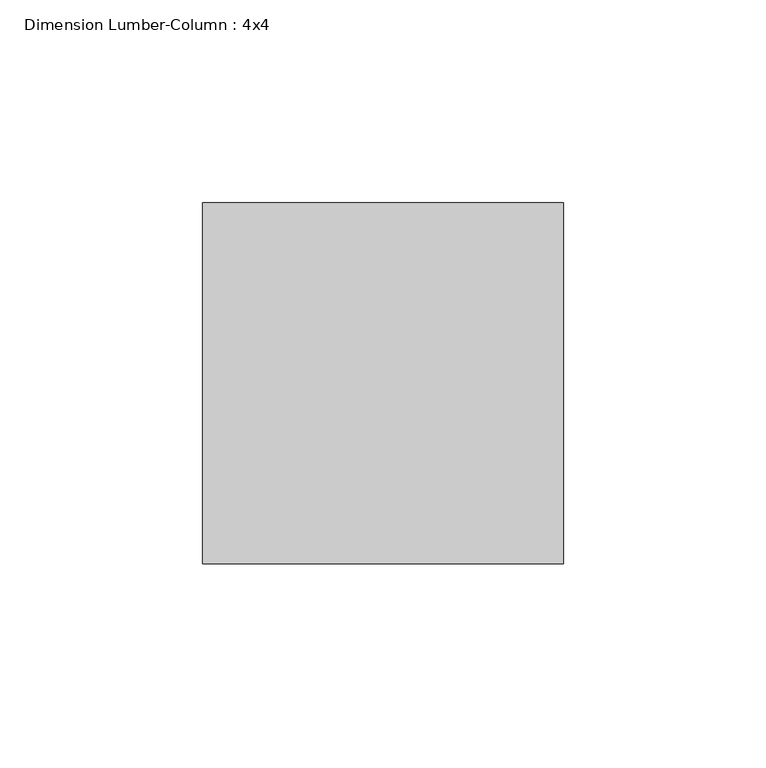
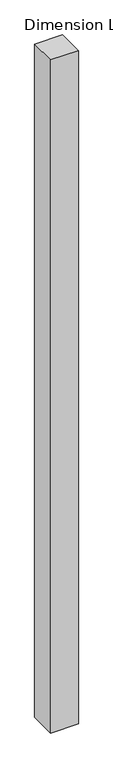
"""IFC4 building model written with IfcOpenShell, lengths in millimetres: column geometry, Dimension Lumber-Column : 4x4."""

import ifcopenshell
import ifcopenshell.guid

model = None  # the IFC model being written
_history = None  # IfcOwnerHistory: only IFC2X3 demands one
_inside = {}  # id of a spatial element -> (the spatial element, [elements in it])
_under = {}  # id of a project, library or spatial element -> (it, [spatial elements below it])
_declared = {}  # id of a project -> (the project, [libraries it declares])
_typed = {}  # id of a type object -> (the type object, [elements of that type])
_made_of = {}  # id of a material, layer set ... -> (it, [elements and type objects made of it])


def new_model(schema):
    """Start an empty IFC model of exactly this schema.

    Asked for "IFC4X3", IfcOpenShell would pick the latest addendum, in which some entities
    have other attributes; the version numbers below select the first issue.
    IFC2X3 requires an IfcOwnerHistory on every rooted entity: one is made here for all.
    """
    global model, _history
    if schema == "IFC4X3":
        model = ifcopenshell.file(schema_version=(4, 3, 0, 0))
    else:
        model = ifcopenshell.file(schema=schema)
    _inside.clear()
    _under.clear()
    _declared.clear()
    _typed.clear()
    _made_of.clear()
    _history = None
    if model.schema == "IFC2X3":
        org = make("IfcOrganization", Name="unknown")
        user = make(
            "IfcPersonAndOrganization",
            ThePerson=make("IfcPerson", FamilyName="unknown"),
            TheOrganization=org,
        )
        app = make(
            "IfcApplication",
            ApplicationDeveloper=org,
            Version="unknown",
            ApplicationFullName="unknown",
            ApplicationIdentifier="unknown",
        )
        _history = make(
            "IfcOwnerHistory",
            OwningUser=user,
            OwningApplication=app,
            ChangeAction="ADDED",
            CreationDate=0,
        )
    return model


def make(cls, **values):
    """One entity of the class cls with the attributes given. An attribute that is None is left unset."""
    return model.create_entity(
        cls, **{name: value for name, value in values.items() if value is not None}
    )


def rooted(cls, **values):
    """An entity with a GlobalId (a new one), such as an element, a storey or a relation."""
    return make(cls, GlobalId=ifcopenshell.guid.new(), OwnerHistory=_history, **values)


def si_unit(unit_type, name, prefix=None):
    """IfcSIUnit, for example si_unit("LENGTHUNIT", "METRE", prefix="MILLI")."""
    return make("IfcSIUnit", UnitType=unit_type, Prefix=prefix, Name=name)


def assignment(units):
    """IfcUnitAssignment: the units of a project."""
    return None if units is None else make("IfcUnitAssignment", Units=units)


def point(xyz):
    """IfcCartesianPoint."""
    return None if xyz is None else make("IfcCartesianPoint", Coordinates=xyz)


def direction(xyz):
    """IfcDirection."""
    return None if xyz is None else make("IfcDirection", DirectionRatios=xyz)


def frame(location, z_axis=None, x_axis=None):
    """IfcAxis2Placement3D, a coordinate frame: its origin and axes. An axis left out is left unset."""
    return make(
        "IfcAxis2Placement3D",
        Location=point(location),
        Axis=direction(z_axis),
        RefDirection=direction(x_axis),
    )


def origin():
    """The frame at (0, 0, 0) with its axes left unset."""
    return frame((0.0, 0.0, 0.0))


def origin_with_axes():
    """The frame at (0, 0, 0) with the z axis (0, 0, 1) and the x axis (1, 0, 0) written out."""
    return frame((0.0, 0.0, 0.0), z_axis=(0.0, 0.0, 1.0), x_axis=(1.0, 0.0, 0.0))


def place(relative_to, where):
    """IfcLocalPlacement: puts the frame where relative to a parent placement (None: the world)."""
    return make(
        "IfcLocalPlacement", PlacementRelTo=relative_to, RelativePlacement=where
    )


def context(
    kind, dimensions, precision=None, world=None, true_north=None, identifier=None
):
    """IfcGeometricRepresentationContext, for example the 3D "Model" context."""
    return make(
        "IfcGeometricRepresentationContext",
        ContextIdentifier=identifier,
        ContextType=kind,
        CoordinateSpaceDimension=dimensions,
        Precision=precision,
        WorldCoordinateSystem=world,
        TrueNorth=true_north,
    )


def project(units=None, contexts=None):
    """IfcProject with its units and contexts."""
    return rooted(
        "IfcProject",
        Name="project",
        RepresentationContexts=contexts,
        UnitsInContext=assignment(units),
    )


def spatial(cls, under=None, at=None, **own):
    """A site, building, storey or space (cls), placed at a placement, below another one or the project."""
    s = rooted(cls, ObjectPlacement=at, **own)
    if under is not None:
        _under.setdefault(under.id(), (under, []))[1].append(s)
    return s


def polyline(points):
    """IfcPolyline through the points."""
    return make("IfcPolyline", Points=[point(p) for p in points])


def outline(outer, holes=None, kind="AREA"):
    """IfcArbitraryClosedProfileDef: a profile drawn as a closed curve; with holes, ...WithVoids."""
    if holes is None:
        return make("IfcArbitraryClosedProfileDef", ProfileType=kind, OuterCurve=outer)
    return make(
        "IfcArbitraryProfileDefWithVoids",
        ProfileType=kind,
        OuterCurve=outer,
        InnerCurves=holes,
    )


def extrude(swept, where, along, depth):
    """IfcExtrudedAreaSolid: the profile swept, set in the frame where, extruded along a direction by depth."""
    return make(
        "IfcExtrudedAreaSolid",
        SweptArea=swept,
        Position=where,
        ExtrudedDirection=direction(along),
        Depth=depth,
    )


def shape(context_of_items, identifier, shape_type, items):
    """IfcShapeRepresentation: the items that make up one representation, for example the "Body"."""
    return make(
        "IfcShapeRepresentation",
        ContextOfItems=context_of_items,
        RepresentationIdentifier=identifier,
        RepresentationType=shape_type,
        Items=items,
    )


def source(mapping_origin, context_of_items, identifier, shape_type, items):
    """IfcRepresentationMap: a shape defined once, which mapped items show again and again."""
    return make(
        "IfcRepresentationMap",
        MappingOrigin=mapping_origin,
        MappedRepresentation=shape(context_of_items, identifier, shape_type, items),
    )


def transform(
    local_origin,
    x_axis=None,
    y_axis=None,
    z_axis=None,
    scale=None,
    scale2=None,
    scale3=None,
    uniform=True,
):
    """IfcCartesianTransformationOperator3D, or its non-uniform kind. x_axis, y_axis, z_axis: its Axis1, 2, 3."""
    if uniform:
        return make(
            "IfcCartesianTransformationOperator3D",
            Axis1=direction(x_axis),
            Axis2=direction(y_axis),
            LocalOrigin=point(local_origin),
            Scale=scale,
            Axis3=direction(z_axis),
        )
    return make(
        "IfcCartesianTransformationOperator3DnonUniform",
        Axis1=direction(x_axis),
        Axis2=direction(y_axis),
        LocalOrigin=point(local_origin),
        Scale=scale,
        Axis3=direction(z_axis),
        Scale2=scale2,
        Scale3=scale3,
    )


def mapped(mapping_source, mapping_target):
    """IfcMappedItem: shows the shape of a source again, moved by a transform."""
    return make(
        "IfcMappedItem", MappingSource=mapping_source, MappingTarget=mapping_target
    )


def made_of(thing, what):
    """Note that an element or type object is made of a material, layer set ...; save() writes the relation."""
    if what is not None:
        _made_of.setdefault(what.id(), (what, []))[1].append(thing)
    return thing


def element(
    cls,
    number,
    at=None,
    inside=None,
    cuts=None,
    type_object=None,
    material=None,
    context=None,
    identifier="Body",
    shape_type=None,
    held_by="IfcProductDefinitionShape",
    body=None,
    shapes=None,
    **own,
):
    """One element of the class cls, such as IfcWall. Its Tag is "e" and its number.

    at: its placement. inside: the storey or other place that contains it. cuts: it is an
    opening in that element (IfcRelVoidsElement). A single representation is given by context,
    identifier, shape_type and body (its items); several are given by shapes. held_by: the class
    of the entity that holds the representations. save() writes the other relations.
    """
    e = rooted(cls, Tag="e%d" % number, ObjectPlacement=at, **own)
    if body is not None:
        shapes = [shape(context, identifier, shape_type, body)]
    if shapes is not None:
        e.Representation = make(held_by, Representations=shapes)
    if inside is not None:
        _inside.setdefault(inside.id(), (inside, []))[1].append(e)
    if cuts is not None:
        rooted(
            "IfcRelVoidsElement", RelatingBuildingElement=cuts, RelatedOpeningElement=e
        )
    if type_object is not None:
        _typed.setdefault(type_object.id(), (type_object, []))[1].append(e)
    return made_of(e, material)


def aggregate(whole, parts):
    """IfcRelAggregates: a whole, such as a stair, and the parts it consists of."""
    return rooted("IfcRelAggregates", RelatingObject=whole, RelatedObjects=parts)


def save(model, path):
    """Write the relations noted so far, then the file.

    IfcRelAggregates (storeys below a building ...), IfcRelContainedInSpatialStructure (elements
    in a storey), IfcRelDefinesByType, IfcRelAssociatesMaterial and IfcRelDeclares: one each for
    every whole, place, type object, material and project.
    """
    for whole, parts in _under.values():
        aggregate(whole, parts)
    for where, things in _inside.values():
        rooted(
            "IfcRelContainedInSpatialStructure",
            RelatedElements=things,
            RelatingStructure=where,
        )
    for kind, things in _typed.values():
        rooted("IfcRelDefinesByType", RelatedObjects=things, RelatingType=kind)
    for what, things in _made_of.values():
        rooted("IfcRelAssociatesMaterial", RelatedObjects=things, RelatingMaterial=what)
    for by, libraries in _declared.values():
        rooted("IfcRelDeclares", RelatingContext=by, RelatedDefinitions=libraries)
    model.write(path)


def dimension_lumber_column_4x4_fa7d57b6(model_context):
    return source(origin(), model_context, "Body", "SweptSolid", [
        extrude(outline(polyline([(44.45, 44.45), (44.45, -44.45), (-44.45, -44.45), (-44.45, 44.45), (44.45, 44.45)])), origin_with_axes(), (0.0, 0.0, 1.0), 2286.0),
    ])


if __name__ == "__main__":
    model = new_model("IFC4")
    model_context = context("Model", 3, world=origin())
    ifc_project = project(units=[si_unit("LENGTHUNIT", "METRE", prefix="MILLI")], contexts=[model_context])
    site = spatial("IfcSite", under=ifc_project)
    building = spatial("IfcBuilding", under=site)
    placement = place(None, origin())
    dimension_lumber_column_4x4_shape = dimension_lumber_column_4x4_fa7d57b6(model_context)
    element("IfcColumn", 1, ObjectType="Dimension Lumber-Column : 4x4", at=placement, inside=building, context=model_context, shape_type="MappedRepresentation", body=[
        mapped(dimension_lumber_column_4x4_shape, transform((0.0, 0.0, 0.0), x_axis=(1.0, 0.0, 0.0), y_axis=(0.0, 1.0, 0.0), z_axis=(0.0, 0.0, 1.0))),
    ])
    save(model, "model.ifc")
